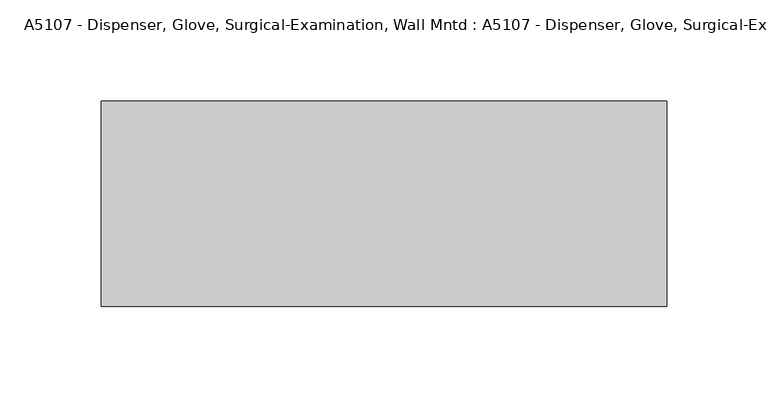
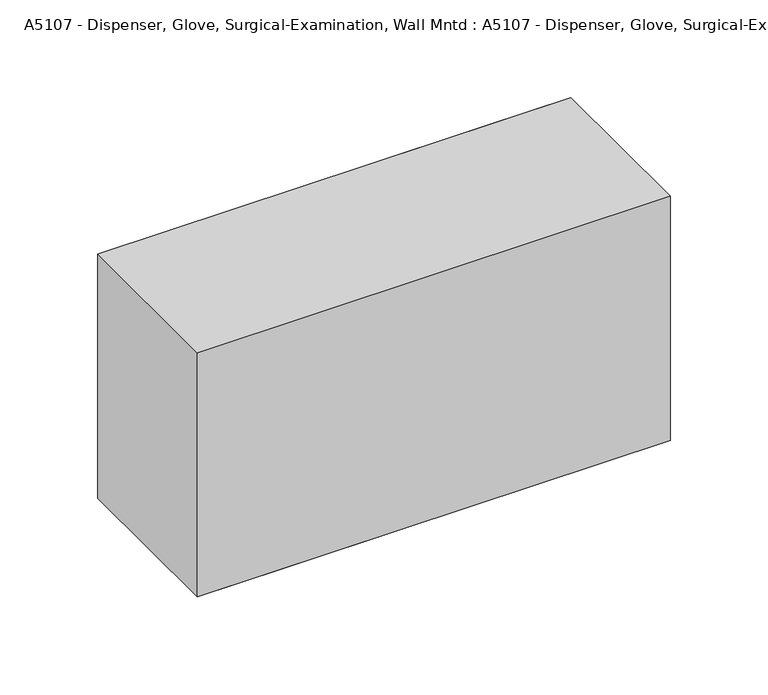
"""IFC4 building model written with IfcOpenShell, lengths in millimetres: proxy geometry, A5107 - Dispenser, Glove, Surgical-Examination, Wall Mntd : A5107 - Dispenser, Glove, Surgical-Examination, Wall Mntd."""

from ifc_helpers import new_model, si_unit, frame, origin, place, context, project, spatial, polyline, outline, extrude, source, transform, mapped, element, save


def a5107_dispenser_glove_surgical_examination_wall_mntd_a5107_5144ad3b(model_context):
    return source(origin(), model_context, "Body", "SweptSolid", [
        extrude(outline(polyline([(139.7, -101.6), (-139.7, -101.6), (-139.7, 0.0), (139.7, 0.0), (139.7, -101.6)])), frame((0.0, 0.0, 0.295062), z_axis=(0.0, 0.0, 1.0), x_axis=(1.0, 0.0, 0.0)), (0.0, 0.0, 1.0), 152.4),
        extrude(outline(polyline([(127.0, -101.6), (-127.0, -101.6), (-127.0, 0.0), (127.0, 0.0), (127.0, -101.6)])), frame((0.0, 0.0, 0.295062), z_axis=(0.0, 0.0, 1.0), x_axis=(1.0, 0.0, 0.0)), (0.0, 0.0, 1.0), 152.4),
    ])


if __name__ == "__main__":
    model = new_model("IFC4")
    model_context = context("Model", 3, world=origin())
    ifc_project = project(units=[si_unit("LENGTHUNIT", "METRE", prefix="MILLI")], contexts=[model_context])
    site = spatial("IfcSite", under=ifc_project)
    building = spatial("IfcBuilding", under=site)
    placement = place(None, origin())
    a5107_dispenser_glove_surgical_examination_wall_mntd_a5107_shape = a5107_dispenser_glove_surgical_examination_wall_mntd_a5107_5144ad3b(model_context)
    element("IfcBuildingElementProxy", 1, Name="A5107 - Dispenser, Glove, Surgical-Examination, Wall Mntd : A5107 - Dispenser, Glove, Surgical-Examination, Wall Mntd", ObjectType="A5107 - Dispenser, Glove, Surgical-Examination, Wall Mntd : A5107 - Dispenser, Glove, Surgical-Examination, Wall Mntd", at=placement, inside=building, context=model_context, shape_type="MappedRepresentation", body=[
        mapped(a5107_dispenser_glove_surgical_examination_wall_mntd_a5107_shape, transform((0.0, 0.0, 0.0), x_axis=(1.0, 0.0, 0.0), y_axis=(0.0, 1.0, 0.0), z_axis=(0.0, 0.0, 1.0))),
    ])
    save(model, "model.ifc")
